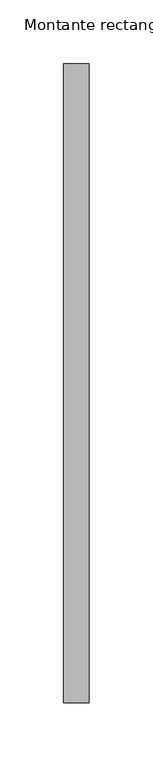
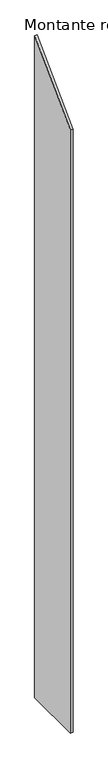
"""IFC4 building model written with IfcOpenShell, lengths in millimetres: member geometry, Montante rectangular."""

from ifc_helpers import new_model, si_unit, frame, origin, place, context, project, spatial, polyline, outline, extrude, source, transform, mapped, element, save


def montante_rectangular_19981ee7(model_context):
    return source(origin(), model_context, "Body", "SweptSolid", [
        extrude(outline(polyline([(-250.0, -250.0), (250.0, 250.0), (250.0, -5394.7551098), (-250.0, -5394.7551098), (-250.0, -250.0)])), frame((-20.0, 0.0, 0.0), z_axis=(1.0, 0.0, 0.0), x_axis=(0.0, 1.0, 0.0)), (0.0, 0.0, 1.0), 20.0),
    ])


if __name__ == "__main__":
    model = new_model("IFC4")
    model_context = context("Model", 3, world=origin())
    ifc_project = project(units=[si_unit("LENGTHUNIT", "METRE", prefix="MILLI")], contexts=[model_context])
    site = spatial("IfcSite", under=ifc_project)
    building = spatial("IfcBuilding", under=site)
    placement = place(None, origin())
    montante_rectangular_shape = montante_rectangular_19981ee7(model_context)
    element("IfcMember", 1, ObjectType="Montante rectangular", at=placement, inside=building, context=model_context, shape_type="MappedRepresentation", body=[
        mapped(montante_rectangular_shape, transform((0.0, 0.0, 0.0), x_axis=(1.0, 0.0, 0.0), y_axis=(0.0, 1.0, 0.0), z_axis=(0.0, 0.0, 1.0))),
    ])
    save(model, "model.ifc")
